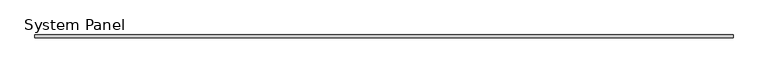
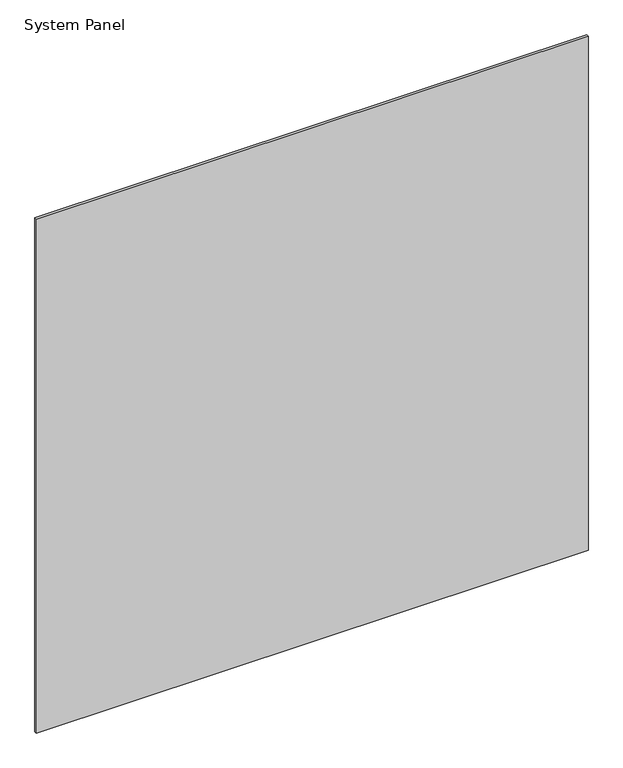
"""IFC4 building model written with IfcOpenShell, lengths in millimetres: plate geometry, System Panel."""

from ifc_helpers import new_model, si_unit, origin, origin_with_axes, place, context, project, spatial, polyline, outline, extrude, source, transform, mapped, element, save


def system_panel_ba1e52da(model_context):
    return source(origin(), model_context, "Body", "SweptSolid", [
        extrude(outline(polyline([(739.7806673, -12.8), (-739.7806673, -12.8), (-739.7806673, -6.4), (739.7806673, -6.4), (739.7806673, -12.8)])), origin_with_axes(), (0.0, 0.0, 1.0), 1457.3363346),
    ])


if __name__ == "__main__":
    model = new_model("IFC4")
    model_context = context("Model", 3, world=origin())
    ifc_project = project(units=[si_unit("LENGTHUNIT", "METRE", prefix="MILLI")], contexts=[model_context])
    site = spatial("IfcSite", under=ifc_project)
    building = spatial("IfcBuilding", under=site)
    placement = place(None, origin())
    system_panel_shape = system_panel_ba1e52da(model_context)
    element("IfcPlate", 1, ObjectType="System Panel", at=placement, inside=building, context=model_context, shape_type="MappedRepresentation", body=[
        mapped(system_panel_shape, transform((0.0, 0.0, 0.0), x_axis=(1.0, 0.0, 0.0), y_axis=(0.0, 1.0, 0.0), z_axis=(0.0, 0.0, 1.0))),
    ])
    save(model, "model.ifc")
